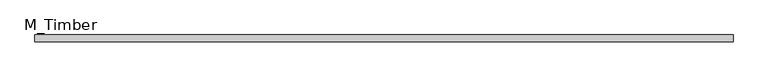
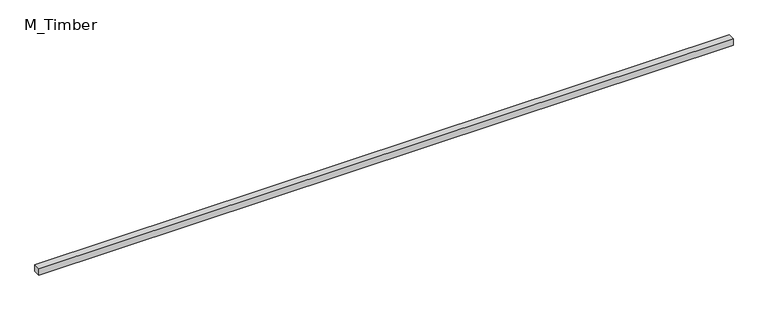
"""IFC4 building model written with IfcOpenShell, lengths in millimetres: beam geometry, M_Timber."""

import ifcopenshell
import ifcopenshell.guid

model = None  # the IFC model being written
_history = None  # IfcOwnerHistory: only IFC2X3 demands one
_inside = {}  # id of a spatial element -> (the spatial element, [elements in it])
_under = {}  # id of a project, library or spatial element -> (it, [spatial elements below it])
_declared = {}  # id of a project -> (the project, [libraries it declares])
_typed = {}  # id of a type object -> (the type object, [elements of that type])
_made_of = {}  # id of a material, layer set ... -> (it, [elements and type objects made of it])


def new_model(schema):
    """Start an empty IFC model of exactly this schema.

    Asked for "IFC4X3", IfcOpenShell would pick the latest addendum, in which some entities
    have other attributes; the version numbers below select the first issue.
    IFC2X3 requires an IfcOwnerHistory on every rooted entity: one is made here for all.
    """
    global model, _history
    if schema == "IFC4X3":
        model = ifcopenshell.file(schema_version=(4, 3, 0, 0))
    else:
        model = ifcopenshell.file(schema=schema)
    _inside.clear()
    _under.clear()
    _declared.clear()
    _typed.clear()
    _made_of.clear()
    _history = None
    if model.schema == "IFC2X3":
        org = make("IfcOrganization", Name="unknown")
        user = make(
            "IfcPersonAndOrganization",
            ThePerson=make("IfcPerson", FamilyName="unknown"),
            TheOrganization=org,
        )
        app = make(
            "IfcApplication",
            ApplicationDeveloper=org,
            Version="unknown",
            ApplicationFullName="unknown",
            ApplicationIdentifier="unknown",
        )
        _history = make(
            "IfcOwnerHistory",
            OwningUser=user,
            OwningApplication=app,
            ChangeAction="ADDED",
            CreationDate=0,
        )
    return model


def make(cls, **values):
    """One entity of the class cls with the attributes given. An attribute that is None is left unset."""
    return model.create_entity(
        cls, **{name: value for name, value in values.items() if value is not None}
    )


def rooted(cls, **values):
    """An entity with a GlobalId (a new one), such as an element, a storey or a relation."""
    return make(cls, GlobalId=ifcopenshell.guid.new(), OwnerHistory=_history, **values)


def si_unit(unit_type, name, prefix=None):
    """IfcSIUnit, for example si_unit("LENGTHUNIT", "METRE", prefix="MILLI")."""
    return make("IfcSIUnit", UnitType=unit_type, Prefix=prefix, Name=name)


def assignment(units):
    """IfcUnitAssignment: the units of a project."""
    return None if units is None else make("IfcUnitAssignment", Units=units)


def point(xyz):
    """IfcCartesianPoint."""
    return None if xyz is None else make("IfcCartesianPoint", Coordinates=xyz)


def direction(xyz):
    """IfcDirection."""
    return None if xyz is None else make("IfcDirection", DirectionRatios=xyz)


def frame(location, z_axis=None, x_axis=None):
    """IfcAxis2Placement3D, a coordinate frame: its origin and axes. An axis left out is left unset."""
    return make(
        "IfcAxis2Placement3D",
        Location=point(location),
        Axis=direction(z_axis),
        RefDirection=direction(x_axis),
    )


def origin():
    """The frame at (0, 0, 0) with its axes left unset."""
    return frame((0.0, 0.0, 0.0))


def place(relative_to, where):
    """IfcLocalPlacement: puts the frame where relative to a parent placement (None: the world)."""
    return make(
        "IfcLocalPlacement", PlacementRelTo=relative_to, RelativePlacement=where
    )


def context(
    kind, dimensions, precision=None, world=None, true_north=None, identifier=None
):
    """IfcGeometricRepresentationContext, for example the 3D "Model" context."""
    return make(
        "IfcGeometricRepresentationContext",
        ContextIdentifier=identifier,
        ContextType=kind,
        CoordinateSpaceDimension=dimensions,
        Precision=precision,
        WorldCoordinateSystem=world,
        TrueNorth=true_north,
    )


def project(units=None, contexts=None):
    """IfcProject with its units and contexts."""
    return rooted(
        "IfcProject",
        Name="project",
        RepresentationContexts=contexts,
        UnitsInContext=assignment(units),
    )


def spatial(cls, under=None, at=None, **own):
    """A site, building, storey or space (cls), placed at a placement, below another one or the project."""
    s = rooted(cls, ObjectPlacement=at, **own)
    if under is not None:
        _under.setdefault(under.id(), (under, []))[1].append(s)
    return s


def polyline(points):
    """IfcPolyline through the points."""
    return make("IfcPolyline", Points=[point(p) for p in points])


def outline(outer, holes=None, kind="AREA"):
    """IfcArbitraryClosedProfileDef: a profile drawn as a closed curve; with holes, ...WithVoids."""
    if holes is None:
        return make("IfcArbitraryClosedProfileDef", ProfileType=kind, OuterCurve=outer)
    return make(
        "IfcArbitraryProfileDefWithVoids",
        ProfileType=kind,
        OuterCurve=outer,
        InnerCurves=holes,
    )


def extrude(swept, where, along, depth):
    """IfcExtrudedAreaSolid: the profile swept, set in the frame where, extruded along a direction by depth."""
    return make(
        "IfcExtrudedAreaSolid",
        SweptArea=swept,
        Position=where,
        ExtrudedDirection=direction(along),
        Depth=depth,
    )


def shape(context_of_items, identifier, shape_type, items):
    """IfcShapeRepresentation: the items that make up one representation, for example the "Body"."""
    return make(
        "IfcShapeRepresentation",
        ContextOfItems=context_of_items,
        RepresentationIdentifier=identifier,
        RepresentationType=shape_type,
        Items=items,
    )


def source(mapping_origin, context_of_items, identifier, shape_type, items):
    """IfcRepresentationMap: a shape defined once, which mapped items show again and again."""
    return make(
        "IfcRepresentationMap",
        MappingOrigin=mapping_origin,
        MappedRepresentation=shape(context_of_items, identifier, shape_type, items),
    )


def transform(
    local_origin,
    x_axis=None,
    y_axis=None,
    z_axis=None,
    scale=None,
    scale2=None,
    scale3=None,
    uniform=True,
):
    """IfcCartesianTransformationOperator3D, or its non-uniform kind. x_axis, y_axis, z_axis: its Axis1, 2, 3."""
    if uniform:
        return make(
            "IfcCartesianTransformationOperator3D",
            Axis1=direction(x_axis),
            Axis2=direction(y_axis),
            LocalOrigin=point(local_origin),
            Scale=scale,
            Axis3=direction(z_axis),
        )
    return make(
        "IfcCartesianTransformationOperator3DnonUniform",
        Axis1=direction(x_axis),
        Axis2=direction(y_axis),
        LocalOrigin=point(local_origin),
        Scale=scale,
        Axis3=direction(z_axis),
        Scale2=scale2,
        Scale3=scale3,
    )


def mapped(mapping_source, mapping_target):
    """IfcMappedItem: shows the shape of a source again, moved by a transform."""
    return make(
        "IfcMappedItem", MappingSource=mapping_source, MappingTarget=mapping_target
    )


def made_of(thing, what):
    """Note that an element or type object is made of a material, layer set ...; save() writes the relation."""
    if what is not None:
        _made_of.setdefault(what.id(), (what, []))[1].append(thing)
    return thing


def element(
    cls,
    number,
    at=None,
    inside=None,
    cuts=None,
    type_object=None,
    material=None,
    context=None,
    identifier="Body",
    shape_type=None,
    held_by="IfcProductDefinitionShape",
    body=None,
    shapes=None,
    **own,
):
    """One element of the class cls, such as IfcWall. Its Tag is "e" and its number.

    at: its placement. inside: the storey or other place that contains it. cuts: it is an
    opening in that element (IfcRelVoidsElement). A single representation is given by context,
    identifier, shape_type and body (its items); several are given by shapes. held_by: the class
    of the entity that holds the representations. save() writes the other relations.
    """
    e = rooted(cls, Tag="e%d" % number, ObjectPlacement=at, **own)
    if body is not None:
        shapes = [shape(context, identifier, shape_type, body)]
    if shapes is not None:
        e.Representation = make(held_by, Representations=shapes)
    if inside is not None:
        _inside.setdefault(inside.id(), (inside, []))[1].append(e)
    if cuts is not None:
        rooted(
            "IfcRelVoidsElement", RelatingBuildingElement=cuts, RelatedOpeningElement=e
        )
    if type_object is not None:
        _typed.setdefault(type_object.id(), (type_object, []))[1].append(e)
    return made_of(e, material)


def aggregate(whole, parts):
    """IfcRelAggregates: a whole, such as a stair, and the parts it consists of."""
    return rooted("IfcRelAggregates", RelatingObject=whole, RelatedObjects=parts)


def save(model, path):
    """Write the relations noted so far, then the file.

    IfcRelAggregates (storeys below a building ...), IfcRelContainedInSpatialStructure (elements
    in a storey), IfcRelDefinesByType, IfcRelAssociatesMaterial and IfcRelDeclares: one each for
    every whole, place, type object, material and project.
    """
    for whole, parts in _under.values():
        aggregate(whole, parts)
    for where, things in _inside.values():
        rooted(
            "IfcRelContainedInSpatialStructure",
            RelatedElements=things,
            RelatingStructure=where,
        )
    for kind, things in _typed.values():
        rooted("IfcRelDefinesByType", RelatedObjects=things, RelatingType=kind)
    for what, things in _made_of.values():
        rooted("IfcRelAssociatesMaterial", RelatedObjects=things, RelatingMaterial=what)
    for by, libraries in _declared.values():
        rooted("IfcRelDeclares", RelatingContext=by, RelatedDefinitions=libraries)
    model.write(path)


def m_timber_3ca705d7(model_context):
    return source(origin(), model_context, "Body", "SweptSolid", [
        extrude(outline(polyline([(2056.7872639, 20.0), (2056.7872639, -20.0), (-2056.7872639, -20.0), (-2056.7872639, 20.0), (2056.7872639, 20.0)])), frame((0.0, 0.0, -20.0), z_axis=(0.0, 0.0, 1.0), x_axis=(1.0, 0.0, 0.0)), (0.0, 0.0, 1.0), 40.0),
    ])


if __name__ == "__main__":
    model = new_model("IFC4")
    model_context = context("Model", 3, world=origin())
    ifc_project = project(units=[si_unit("LENGTHUNIT", "METRE", prefix="MILLI")], contexts=[model_context])
    site = spatial("IfcSite", under=ifc_project)
    building = spatial("IfcBuilding", under=site)
    placement = place(None, origin())
    m_timber_shape = m_timber_3ca705d7(model_context)
    element("IfcBeam", 1, ObjectType="M_Timber", at=placement, inside=building, context=model_context, shape_type="MappedRepresentation", body=[
        mapped(m_timber_shape, transform((0.0, 0.0, 0.0), x_axis=(1.0, 0.0, 0.0), y_axis=(0.0, 1.0, 0.0), z_axis=(0.0, 0.0, 1.0))),
    ])
    save(model, "model.ifc")
